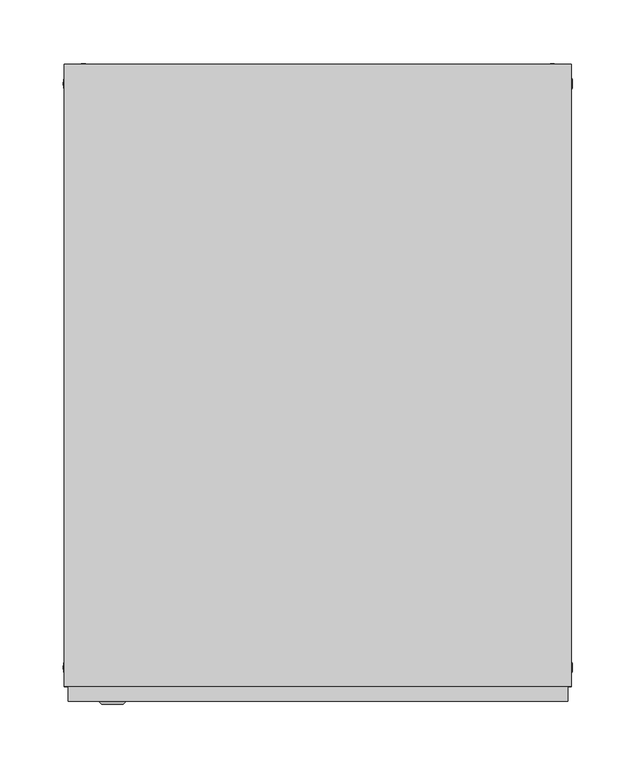
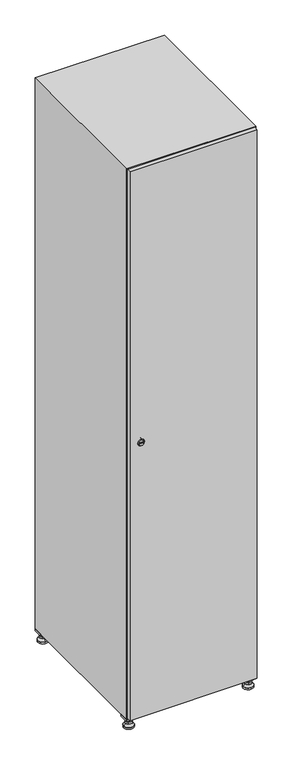
"""IFC4 building model written with IfcOpenShell, lengths in millimetres: furniture geometry."""

from ifc_helpers import new_model, si_unit, point, frame, frame_2d, origin, origin_with_axes, place, context, project, spatial, polyline, circle_curve, trimmed, segment, composite_curve, outline, extrude, faceted_brep, source, transform, mapped, element, save
from ifc_brep_helpers import plane_surface, revolved_surface, advanced_brep


def furniture_9c60d5d5(model_context):
    return source(origin(), model_context, "Body", "SolidModel", [
        extrude(outline(polyline([(200.0, 245.0), (200.0, 215.0), (170.0, 215.0), (170.0, 245.0), (200.0, 245.0)]), holes=[polyline([(198.0, 243.0), (172.0, 243.0), (172.0, 217.0), (198.0, 217.0), (198.0, 243.0)])]), frame((0.0, 0.0, 28.5), z_axis=(0.0, 0.0, 1.0), x_axis=(1.0, 0.0, 0.0)), (0.0, 0.0, 1.0), 6.5),
        extrude(outline(polyline([(170.0, -245.0), (170.0, -215.0), (200.0, -215.0), (200.0, -245.0), (170.0, -245.0)]), holes=[polyline([(172.0, -243.0), (198.0, -243.0), (198.0, -217.0), (172.0, -217.0), (172.0, -243.0)])]), frame((0.0, 0.0, 28.5), z_axis=(0.0, 0.0, 1.0), x_axis=(1.0, 0.0, 0.0)), (0.0, 0.0, 1.0), 6.5),
        extrude(outline(polyline([(-170.0, 245.0), (-170.0, 215.0), (-200.0, 215.0), (-200.0, 245.0), (-170.0, 245.0)]), holes=[polyline([(-172.0, 243.0), (-198.0, 243.0), (-198.0, 217.0), (-172.0, 217.0), (-172.0, 243.0)])]), frame((0.0, 0.0, 28.5), z_axis=(0.0, 0.0, 1.0), x_axis=(1.0, 0.0, 0.0)), (0.0, 0.0, 1.0), 6.5),
        extrude(outline(polyline([(-170.0, -215.0), (-170.0, -245.0), (-200.0, -245.0), (-200.0, -215.0), (-170.0, -215.0)]), holes=[polyline([(-198.0, -243.0), (-172.0, -243.0), (-172.0, -217.0), (-198.0, -217.0), (-198.0, -243.0)])]), frame((0.0, 0.0, 28.5), z_axis=(0.0, 0.0, 1.0), x_axis=(1.0, 0.0, 0.0)), (0.0, 0.0, 1.0), 6.5),
        extrude(outline(composite_curve([segment(trimmed(circle_curve(frame_2d((-185.0, 230.0)), 5.0), [point((-180.0, 230.0))], [point((-190.0, 230.0))], False, "CARTESIAN"), True, "CONTINUOUS"), segment(trimmed(circle_curve(frame_2d((-185.0, 230.0)), 5.0), [point((-190.0, 230.0))], [point((-180.0, 230.0))], False, "CARTESIAN"), True, "CONTINUOUS")], self_intersect=False)), frame((0.0, 0.0, 19.6), z_axis=(0.0, 0.0, 1.0), x_axis=(1.0, 0.0, 0.0)), (0.0, 0.0, 1.0), 15.4),
        extrude(outline(composite_curve([segment(trimmed(circle_curve(frame_2d((-185.0, -230.0)), 5.0), [point((-180.0, -230.0))], [point((-190.0, -230.0))], False, "CARTESIAN"), True, "CONTINUOUS"), segment(trimmed(circle_curve(frame_2d((-185.0, -230.0)), 5.0), [point((-190.0, -230.0))], [point((-180.0, -230.0))], False, "CARTESIAN"), True, "CONTINUOUS")], self_intersect=False)), frame((0.0, 0.0, 19.6), z_axis=(0.0, 0.0, 1.0), x_axis=(1.0, 0.0, 0.0)), (0.0, 0.0, 1.0), 15.4),
        extrude(outline(composite_curve([segment(trimmed(circle_curve(frame_2d((185.0, 230.0)), 5.0), [point((190.0, 230.0))], [point((180.0, 230.0))], False, "CARTESIAN"), True, "CONTINUOUS"), segment(trimmed(circle_curve(frame_2d((185.0, 230.0)), 5.0), [point((180.0, 230.0))], [point((190.0, 230.0))], False, "CARTESIAN"), True, "CONTINUOUS")], self_intersect=False)), frame((0.0, 0.0, 19.6), z_axis=(0.0, 0.0, 1.0), x_axis=(1.0, 0.0, 0.0)), (0.0, 0.0, 1.0), 15.4),
        extrude(outline(polyline([(173.4529946, 230.0), (179.2264973, 240.0), (190.7735027, 240.0), (196.5470054, 230.0), (190.7735027, 220.0), (179.2264973, 220.0), (173.4529946, 230.0)])), frame((0.0, 0.0, 13.6), z_axis=(0.0, 0.0, 1.0), x_axis=(1.0, 0.0, 0.0)), (0.0, 0.0, 1.0), 6.0),
        extrude(outline(composite_curve([segment(trimmed(circle_curve(frame_2d((185.0, -230.0)), 5.0), [point((190.0, -230.0))], [point((180.0, -230.0))], False, "CARTESIAN"), True, "CONTINUOUS"), segment(trimmed(circle_curve(frame_2d((185.0, -230.0)), 5.0), [point((180.0, -230.0))], [point((190.0, -230.0))], False, "CARTESIAN"), True, "CONTINUOUS")], self_intersect=False)), frame((0.0, 0.0, 19.6), z_axis=(0.0, 0.0, 1.0), x_axis=(1.0, 0.0, 0.0)), (0.0, 0.0, 1.0), 15.4),
        extrude(outline(polyline([(173.4529946, -230.0), (179.2264973, -220.0), (190.7735027, -220.0), (196.5470054, -230.0), (190.7735027, -240.0), (179.2264973, -240.0), (173.4529946, -230.0)])), frame((0.0, 0.0, 13.6), z_axis=(0.0, 0.0, 1.0), x_axis=(1.0, 0.0, 0.0)), (0.0, 0.0, 1.0), 6.0),
        extrude(outline(composite_curve([segment(trimmed(circle_curve(frame_2d((185.0, 230.0)), 5.0), [point((190.0, 230.0))], [point((180.0, 230.0))], False, "CARTESIAN"), True, "CONTINUOUS"), segment(trimmed(circle_curve(frame_2d((185.0, 230.0)), 5.0), [point((180.0, 230.0))], [point((190.0, 230.0))], False, "CARTESIAN"), True, "CONTINUOUS")], self_intersect=False)), frame((0.0, 0.0, 12.1), z_axis=(0.0, 0.0, 1.0), x_axis=(1.0, 0.0, 0.0)), (0.0, 0.0, 1.0), 1.5),
        extrude(outline(composite_curve([segment(trimmed(circle_curve(frame_2d((185.0, -230.0)), 5.0), [point((190.0, -230.0))], [point((180.0, -230.0))], False, "CARTESIAN"), True, "CONTINUOUS"), segment(trimmed(circle_curve(frame_2d((185.0, -230.0)), 5.0), [point((180.0, -230.0))], [point((190.0, -230.0))], False, "CARTESIAN"), True, "CONTINUOUS")], self_intersect=False)), frame((0.0, 0.0, 12.1), z_axis=(0.0, 0.0, 1.0), x_axis=(1.0, 0.0, 0.0)), (0.0, 0.0, 1.0), 1.5),
        extrude(outline(polyline([(-196.5470054, 230.0), (-190.7735027, 240.0), (-179.2264973, 240.0), (-173.4529946, 230.0), (-179.2264973, 220.0), (-190.7735027, 220.0), (-196.5470054, 230.0)])), frame((0.0, 0.0, 13.6), z_axis=(0.0, 0.0, 1.0), x_axis=(1.0, 0.0, 0.0)), (0.0, 0.0, 1.0), 6.0),
        extrude(outline(polyline([(-196.5470054, -230.0), (-190.7735027, -220.0), (-179.2264973, -220.0), (-173.4529946, -230.0), (-179.2264973, -240.0), (-190.7735027, -240.0), (-196.5470054, -230.0)])), frame((0.0, 0.0, 13.6), z_axis=(0.0, 0.0, 1.0), x_axis=(1.0, 0.0, 0.0)), (0.0, 0.0, 1.0), 6.0),
        extrude(outline(composite_curve([segment(trimmed(circle_curve(frame_2d((-185.0, 230.0)), 5.0), [point((-185.0, 235.0))], [point((-185.0, 225.0))], False, "CARTESIAN"), True, "CONTINUOUS"), segment(trimmed(circle_curve(frame_2d((-185.0, 230.0)), 5.0), [point((-185.0, 225.0))], [point((-185.0, 235.0))], False, "CARTESIAN"), True, "CONTINUOUS")], self_intersect=False)), frame((0.0, 0.0, 12.1), z_axis=(0.0, 0.0, 1.0), x_axis=(1.0, 0.0, 0.0)), (0.0, 0.0, 1.0), 1.5),
        extrude(outline(composite_curve([segment(trimmed(circle_curve(frame_2d((-185.0, -230.0)), 5.0), [point((-180.0, -230.0))], [point((-190.0, -230.0))], False, "CARTESIAN"), True, "CONTINUOUS"), segment(trimmed(circle_curve(frame_2d((-185.0, -230.0)), 5.0), [point((-190.0, -230.0))], [point((-180.0, -230.0))], False, "CARTESIAN"), True, "CONTINUOUS")], self_intersect=False)), frame((0.0, 0.0, 12.1), z_axis=(0.0, 0.0, 1.0), x_axis=(1.0, 0.0, 0.0)), (0.0, 0.0, 1.0), 1.5),
        extrude(outline(composite_curve([segment(trimmed(circle_curve(frame_2d((185.0, 230.0)), 15.75), [point((200.75, 230.0))], [point((169.25, 230.0))], False, "CARTESIAN"), True, "CONTINUOUS"), segment(trimmed(circle_curve(frame_2d((185.0, 230.0)), 15.75), [point((169.25, 230.0))], [point((200.75, 230.0))], False, "CARTESIAN"), True, "CONTINUOUS")], self_intersect=False)), origin_with_axes(), (0.0, 0.0, 1.0), 5.1),
        extrude(outline(composite_curve([segment(trimmed(circle_curve(frame_2d((185.0, -230.0)), 15.75), [point((185.0, -214.25))], [point((185.0, -245.75))], False, "CARTESIAN"), True, "CONTINUOUS"), segment(trimmed(circle_curve(frame_2d((185.0, -230.0)), 15.75), [point((185.0, -245.75))], [point((185.0, -214.25))], False, "CARTESIAN"), True, "CONTINUOUS")], self_intersect=False)), origin_with_axes(), (0.0, 0.0, 1.0), 5.1),
        extrude(outline(composite_curve([segment(trimmed(circle_curve(frame_2d((-185.0, -230.0)), 15.75), [point((-169.25, -230.0))], [point((-200.75, -230.0))], False, "CARTESIAN"), True, "CONTINUOUS"), segment(trimmed(circle_curve(frame_2d((-185.0, -230.0)), 15.75), [point((-200.75, -230.0))], [point((-169.25, -230.0))], False, "CARTESIAN"), True, "CONTINUOUS")], self_intersect=False)), origin_with_axes(), (0.0, 0.0, 1.0), 5.1),
        extrude(outline(composite_curve([segment(trimmed(circle_curve(frame_2d((-185.0, 230.0)), 15.75), [point((-169.25, 230.0))], [point((-200.75, 230.0))], False, "CARTESIAN"), True, "CONTINUOUS"), segment(trimmed(circle_curve(frame_2d((-185.0, 230.0)), 15.75), [point((-200.75, 230.0))], [point((-169.25, 230.0))], False, "CARTESIAN"), True, "CONTINUOUS")], self_intersect=False)), origin_with_axes(), (0.0, 0.0, 1.0), 5.1),
        advanced_brep(
        [(-185.0, 239.5, 12.1), (-185.0, 220.5, 12.1), (-185.0, 214.25, 5.1), (-185.0, 245.75, 5.1)],
        [
            (0, 1, circle_curve(frame((-185.0, 230.0, 12.1), z_axis=(0.0, 0.0, -1.0), x_axis=(0.0, 1.0, 0.0)), 9.5)),
            (1, 2),
            (2, 3, circle_curve(frame((-185.0, 230.0, 5.1), z_axis=(0.0, 0.0, 1.0), x_axis=(0.0, 1.0, 0.0)), 15.75)),
            (3, 0),
            (1, 0, circle_curve(frame((-185.0, 230.0, 12.1), z_axis=(0.0, 0.0, -1.0), x_axis=(0.0, -1.0, 0.0)), 9.5)),
            (3, 2, circle_curve(frame((-185.0, 230.0, 5.1), z_axis=(0.0, 0.0, 1.0), x_axis=(0.0, -1.0, 0.0)), 15.75)),
        ],
        [
            revolved_surface(polyline([(-185.0, 220.5, 12.099999999999998), (-185.0, 214.25, 5.099999999999998)]), (-185.0, 230.0, 22.74), (0.0, 0.0, -1.0)),
            revolved_surface(polyline([(-185.0, 239.5, 12.099999999999998), (-185.0, 245.75, 5.099999999999998)]), (-185.0, 230.0, 22.74), (0.0, 0.0, -1.0)),
            plane_surface(frame((-185.0, 230.0, 5.1), z_axis=(0.0, 0.0, -1.0), x_axis=(1.0, 0.0, 0.0))),
            plane_surface(frame((-185.0, 230.0, 12.1), z_axis=(0.0, 0.0, 1.0), x_axis=(1.0, 0.0, 0.0))),
        ],
        [
            (0, [[1, 2, 3, 4]]),
            (1, [[5, -4, 6, -2]]),
            (2, [[-3, -6]]),
            (3, [[-5, -1]]),
        ],
    ),
        advanced_brep(
        [(185.0, 239.5, 12.1), (185.0, 220.5, 12.1), (185.0, 214.25, 5.1), (185.0, 245.75, 5.1)],
        [
            (0, 1, circle_curve(frame((185.0, 230.0, 12.1), z_axis=(0.0, 0.0, -1.0), x_axis=(0.0, 1.0, 0.0)), 9.5)),
            (1, 2),
            (2, 3, circle_curve(frame((185.0, 230.0, 5.1), z_axis=(0.0, 0.0, 1.0), x_axis=(0.0, 1.0, 0.0)), 15.75)),
            (3, 0),
            (1, 0, circle_curve(frame((185.0, 230.0, 12.1), z_axis=(0.0, 0.0, -1.0), x_axis=(0.0, -1.0, 0.0)), 9.5)),
            (3, 2, circle_curve(frame((185.0, 230.0, 5.1), z_axis=(0.0, 0.0, 1.0), x_axis=(0.0, -1.0, 0.0)), 15.75)),
        ],
        [
            revolved_surface(polyline([(185.0, 220.5, 12.099999999999998), (185.0, 214.25, 5.099999999999998)]), (185.0, 230.0, 22.74), (0.0, 0.0, -1.0)),
            revolved_surface(polyline([(185.0, 239.5, 12.099999999999998), (185.0, 245.75, 5.099999999999998)]), (185.0, 230.0, 22.74), (0.0, 0.0, -1.0)),
            plane_surface(frame((185.0, 230.0, 5.1), z_axis=(0.0, 0.0, -1.0), x_axis=(1.0, 0.0, 0.0))),
            plane_surface(frame((185.0, 230.0, 12.1), z_axis=(0.0, 0.0, 1.0), x_axis=(1.0, 0.0, 0.0))),
        ],
        [
            (0, [[1, 2, 3, 4]]),
            (1, [[5, -4, 6, -2]]),
            (2, [[-3, -6]]),
            (3, [[-5, -1]]),
        ],
    ),
        advanced_brep(
        [(200.75, -230.0, 5.1), (169.25, -230.0, 5.1), (175.5, -230.0, 12.1), (194.5, -230.0, 12.1)],
        [
            (0, 1, circle_curve(frame((185.0, -230.0, 5.1), z_axis=(0.0, 0.0, 1.0), x_axis=(1.0, 0.0, 0.0)), 15.75)),
            (1, 2),
            (2, 3, circle_curve(frame((185.0, -230.0, 12.1), z_axis=(0.0, 0.0, -1.0), x_axis=(1.0, 0.0, 0.0)), 9.5)),
            (3, 0),
            (1, 0, circle_curve(frame((185.0, -230.0, 5.1), z_axis=(0.0, 0.0, 1.0), x_axis=(-1.0, 0.0, 0.0)), 15.75)),
            (3, 2, circle_curve(frame((185.0, -230.0, 12.1), z_axis=(0.0, 0.0, -1.0), x_axis=(-1.0, 0.0, 0.0)), 9.5)),
        ],
        [
            revolved_surface(polyline([(194.5, -230.0, 12.099999999999998), (200.75, -230.0, 5.099999999999998)]), (185.0, -230.0, 22.74), (0.0, 0.0, -1.0)),
            revolved_surface(polyline([(175.5, -230.0, 12.099999999999998), (169.25, -230.0, 5.099999999999998)]), (185.0, -230.0, 22.74), (0.0, 0.0, -1.0)),
            plane_surface(frame((185.0, -230.0, 12.1), z_axis=(0.0, 0.0, 1.0), x_axis=(0.0, 1.0, 0.0))),
            plane_surface(frame((185.0, -230.0, 5.1), z_axis=(0.0, 0.0, -1.0), x_axis=(0.0, 1.0, 0.0))),
        ],
        [
            (0, [[1, 2, 3, 4]]),
            (1, [[5, -4, 6, -2]]),
            (2, [[-3, -6]]),
            (3, [[-5, -1]]),
        ],
    ),
        advanced_brep(
        [(-169.25, -230.0, 5.1), (-200.75, -230.0, 5.1), (-194.5, -230.0, 12.1), (-175.5, -230.0, 12.1)],
        [
            (0, 1, circle_curve(frame((-185.0, -230.0, 5.1), z_axis=(0.0, 0.0, 1.0), x_axis=(1.0, 0.0, 0.0)), 15.75)),
            (1, 2),
            (2, 3, circle_curve(frame((-185.0, -230.0, 12.1), z_axis=(0.0, 0.0, -1.0), x_axis=(1.0, 0.0, 0.0)), 9.5)),
            (3, 0),
            (1, 0, circle_curve(frame((-185.0, -230.0, 5.1), z_axis=(0.0, 0.0, 1.0), x_axis=(-1.0, 0.0, 0.0)), 15.75)),
            (3, 2, circle_curve(frame((-185.0, -230.0, 12.1), z_axis=(0.0, 0.0, -1.0), x_axis=(-1.0, 0.0, 0.0)), 9.5)),
        ],
        [
            revolved_surface(polyline([(-175.5, -230.0, 12.099999999999998), (-169.25, -230.0, 5.099999999999998)]), (-185.0, -230.0, 22.74), (0.0, 0.0, -1.0)),
            revolved_surface(polyline([(-194.5, -230.0, 12.099999999999998), (-200.75, -230.0, 5.099999999999998)]), (-185.0, -230.0, 22.74), (0.0, 0.0, -1.0)),
            plane_surface(frame((-185.0, -230.0, 12.1), z_axis=(0.0, 0.0, 1.0), x_axis=(0.0, 1.0, 0.0))),
            plane_surface(frame((-185.0, -230.0, 5.1), z_axis=(0.0, 0.0, -1.0), x_axis=(0.0, 1.0, 0.0))),
        ],
        [
            (0, [[1, 2, 3, 4]]),
            (1, [[5, -4, 6, -2]]),
            (2, [[-3, -6]]),
            (3, [[-5, -1]]),
        ],
    ),
        extrude(outline(composite_curve([segment(trimmed(circle_curve(frame_2d((935.0, -188.7989466)), 7.0), [point((942.0, -188.7989466))], [point((928.0, -188.7989466))], False, "CARTESIAN"), True, "CONTINUOUS"), segment(polyline([(928.0, -188.7989466), (928.0, -160.7989466)]), True, "CONTINUOUS"), segment(trimmed(circle_curve(frame_2d((935.0, -160.7989466)), 7.0), [point((928.0, -160.7989466))], [point((942.0, -160.7989466))], False, "CARTESIAN"), True, "CONTINUOUS"), segment(polyline([(942.0, -160.7989466), (942.0, -188.7989466)]), True, "CONTINUOUS")], self_intersect=False)), frame((0.0, -245.0, 0.0), z_axis=(0.0, 1.0, 0.0), x_axis=(0.0, 0.0, 1.0)), (0.0, 0.0, 1.0), 2.0),
        advanced_brep(
        [(-153.5, -259.2, 935.0), (-170.5, -259.2, 935.0), (-167.0, -259.2, 933.75), (-167.0, -259.2, 936.25), (-157.0, -259.2, 936.25), (-157.0, -259.2, 933.75), (-151.5, -257.0, 935.0), (-172.5, -257.0, 935.0), (-167.0, -257.0, 936.25), (-167.0, -257.0, 933.75), (-157.0, -257.0, 933.75), (-157.0, -257.0, 936.25)],
        [
            (0, 1, circle_curve(frame((-162.0, -259.2, 935.0), z_axis=(0.0, -1.0, 0.0), x_axis=(1.0, 0.0, 0.0)), 8.5)),
            (1, 0, circle_curve(frame((-162.0, -259.2, 935.0), z_axis=(0.0, -1.0, 0.0), x_axis=(-1.0, 0.0, 0.0)), 8.5)),
            (2, 3),
            (3, 4),
            (4, 5),
            (5, 2),
            (6, 7, circle_curve(frame((-162.0, -257.0, 935.0), z_axis=(0.0, 1.0, 0.0), x_axis=(-1.0, 0.0, 0.0)), 10.5)),
            (7, 6, circle_curve(frame((-162.0, -257.0, 935.0), z_axis=(0.0, 1.0, 0.0), x_axis=(1.0, 0.0, 0.0)), 10.5)),
            (8, 9),
            (9, 10),
            (10, 11),
            (11, 8),
            (0, 6),
            (7, 1),
            (8, 3),
            (2, 9),
            (11, 4),
            (10, 5),
        ],
        [
            plane_surface(frame((-162.0, -259.2, 935.0), z_axis=(0.0, -1.0, 0.0), x_axis=(0.0, 0.0, 1.0))),
            plane_surface(frame((-162.0, -257.0, 935.0), z_axis=(0.0, 1.0, 0.0), x_axis=(0.0, 0.0, 1.0))),
            revolved_surface(polyline([(-153.5, -259.2, 935.0), (-151.5, -257.0, 935.0)]), (-162.0, -268.55, 935.0), (0.0, 1.0, 0.0)),
            revolved_surface(polyline([(-170.5, -259.2, 935.0), (-172.5, -257.0, 935.0)]), (-162.0, -268.55, 935.0), (0.0, 1.0, 0.0)),
            plane_surface(frame((-167.0, -257.0, 933.75), z_axis=(1.0, 0.0, 0.0), x_axis=(0.0, -1.0, 0.0))),
            plane_surface(frame((-167.0, -257.0, 936.25), z_axis=(0.0, 0.0, -1.0), x_axis=(0.0, -1.0, 0.0))),
            plane_surface(frame((-157.0, -257.0, 936.25), z_axis=(-1.0, 0.0, 0.0), x_axis=(0.0, -1.0, 0.0))),
            plane_surface(frame((-157.0, -257.0, 933.75), z_axis=(0.0, 0.0, 1.0), x_axis=(0.0, -1.0, 0.0))),
        ],
        [
            (0, [[1, 2], [3, 4, 5, 6]]),
            (1, [[7, 8], [9, 10, 11, 12]]),
            (2, [[-1, 13, -8, 14]]),
            (3, [[-2, -14, -7, -13]]),
            (4, [[15, -3, 16, -9]]),
            (5, [[-15, -12, 17, -4]]),
            (6, [[-17, -11, 18, -5]]),
            (7, [[-16, -6, -18, -10]]),
        ],
    ),
        extrude(outline(polyline([(197.0, -245.0), (197.0, -257.0), (-197.0, -257.0), (-197.0, -245.0), (197.0, -245.0)])), frame((0.0, 0.0, 38.0), z_axis=(0.0, 0.0, 1.0), x_axis=(1.0, 0.0, 0.0)), (0.0, 0.0, 1.0), 1794.0),
        faceted_brep([(200.0, -245.0, 35.0), (200.0, -245.0, 1835.0), (-200.0, -245.0, 1835.0), (-200.0, -245.0, 35.0), (179.6, -245.0, 1804.8), (179.6, -245.0, 65.2), (-179.6, -245.0, 65.2), (-179.6, -245.0, 1804.8), (200.0, 245.0, 35.0), (-200.0, 245.0, 35.0), (200.0, 245.0, 1835.0), (-200.0, 245.0, 1835.0), (179.6, 242.0, 1804.8), (179.6, 242.0, 65.2), (-200.0, 245.0, 1804.8), (-179.6, 242.0, 1804.8), (-179.6, 242.0, 65.2)], [[[0, 1, 2, 3], [4, 5, 6, 7]], [[8, 0, 3, 9]], [[1, 0, 8, 10]], [[1, 10, 11, 2]], [[4, 12, 13, 5]], [[9, 3, 2, 11, 14]], [[10, 8, 9, 14, 11]], [[12, 15, 16, 13]], [[15, 7, 6, 16]], [[4, 7, 15, 12]], [[6, 5, 13, 16]]]),
    ])


if __name__ == "__main__":
    model = new_model("IFC4")
    model_context = context("Model", 3, world=origin())
    ifc_project = project(units=[si_unit("LENGTHUNIT", "METRE", prefix="MILLI")], contexts=[model_context])
    site = spatial("IfcSite", under=ifc_project)
    building = spatial("IfcBuilding", under=site)
    placement = place(None, origin())
    furniture_shape = furniture_9c60d5d5(model_context)
    element("IfcFurniture", 1, at=placement, inside=building, context=model_context, shape_type="MappedRepresentation", body=[
        mapped(furniture_shape, transform((0.0, 0.0, 0.0), x_axis=(1.0, 0.0, 0.0), y_axis=(0.0, 1.0, 0.0), z_axis=(0.0, 0.0, 1.0))),
    ])
    save(model, "model.ifc")
